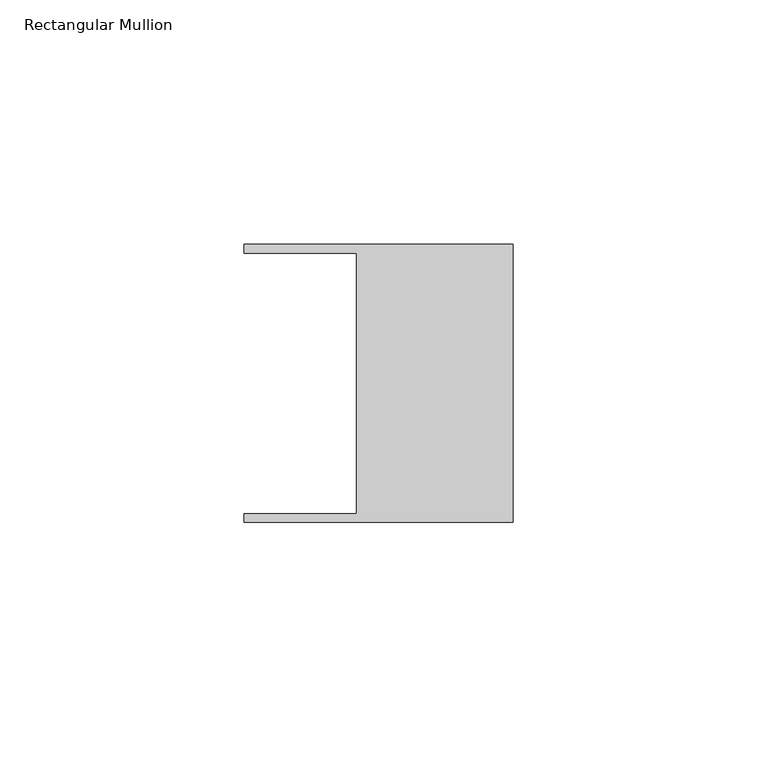
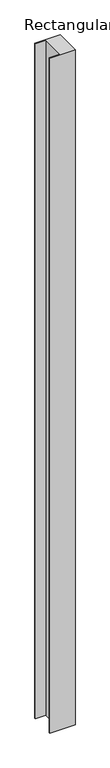
"""IFC4 building model written with IfcOpenShell, lengths in millimetres: member geometry, Rectangular Mullion."""

import ifcopenshell
import ifcopenshell.guid

model = None  # the IFC model being written
_history = None  # IfcOwnerHistory: only IFC2X3 demands one
_inside = {}  # id of a spatial element -> (the spatial element, [elements in it])
_under = {}  # id of a project, library or spatial element -> (it, [spatial elements below it])
_declared = {}  # id of a project -> (the project, [libraries it declares])
_typed = {}  # id of a type object -> (the type object, [elements of that type])
_made_of = {}  # id of a material, layer set ... -> (it, [elements and type objects made of it])


def new_model(schema):
    """Start an empty IFC model of exactly this schema.

    Asked for "IFC4X3", IfcOpenShell would pick the latest addendum, in which some entities
    have other attributes; the version numbers below select the first issue.
    IFC2X3 requires an IfcOwnerHistory on every rooted entity: one is made here for all.
    """
    global model, _history
    if schema == "IFC4X3":
        model = ifcopenshell.file(schema_version=(4, 3, 0, 0))
    else:
        model = ifcopenshell.file(schema=schema)
    _inside.clear()
    _under.clear()
    _declared.clear()
    _typed.clear()
    _made_of.clear()
    _history = None
    if model.schema == "IFC2X3":
        org = make("IfcOrganization", Name="unknown")
        user = make(
            "IfcPersonAndOrganization",
            ThePerson=make("IfcPerson", FamilyName="unknown"),
            TheOrganization=org,
        )
        app = make(
            "IfcApplication",
            ApplicationDeveloper=org,
            Version="unknown",
            ApplicationFullName="unknown",
            ApplicationIdentifier="unknown",
        )
        _history = make(
            "IfcOwnerHistory",
            OwningUser=user,
            OwningApplication=app,
            ChangeAction="ADDED",
            CreationDate=0,
        )
    return model


def make(cls, **values):
    """One entity of the class cls with the attributes given. An attribute that is None is left unset."""
    return model.create_entity(
        cls, **{name: value for name, value in values.items() if value is not None}
    )


def rooted(cls, **values):
    """An entity with a GlobalId (a new one), such as an element, a storey or a relation."""
    return make(cls, GlobalId=ifcopenshell.guid.new(), OwnerHistory=_history, **values)


def si_unit(unit_type, name, prefix=None):
    """IfcSIUnit, for example si_unit("LENGTHUNIT", "METRE", prefix="MILLI")."""
    return make("IfcSIUnit", UnitType=unit_type, Prefix=prefix, Name=name)


def assignment(units):
    """IfcUnitAssignment: the units of a project."""
    return None if units is None else make("IfcUnitAssignment", Units=units)


def point(xyz):
    """IfcCartesianPoint."""
    return None if xyz is None else make("IfcCartesianPoint", Coordinates=xyz)


def direction(xyz):
    """IfcDirection."""
    return None if xyz is None else make("IfcDirection", DirectionRatios=xyz)


def frame(location, z_axis=None, x_axis=None):
    """IfcAxis2Placement3D, a coordinate frame: its origin and axes. An axis left out is left unset."""
    return make(
        "IfcAxis2Placement3D",
        Location=point(location),
        Axis=direction(z_axis),
        RefDirection=direction(x_axis),
    )


def origin():
    """The frame at (0, 0, 0) with its axes left unset."""
    return frame((0.0, 0.0, 0.0))


def place(relative_to, where):
    """IfcLocalPlacement: puts the frame where relative to a parent placement (None: the world)."""
    return make(
        "IfcLocalPlacement", PlacementRelTo=relative_to, RelativePlacement=where
    )


def context(
    kind, dimensions, precision=None, world=None, true_north=None, identifier=None
):
    """IfcGeometricRepresentationContext, for example the 3D "Model" context."""
    return make(
        "IfcGeometricRepresentationContext",
        ContextIdentifier=identifier,
        ContextType=kind,
        CoordinateSpaceDimension=dimensions,
        Precision=precision,
        WorldCoordinateSystem=world,
        TrueNorth=true_north,
    )


def project(units=None, contexts=None):
    """IfcProject with its units and contexts."""
    return rooted(
        "IfcProject",
        Name="project",
        RepresentationContexts=contexts,
        UnitsInContext=assignment(units),
    )


def spatial(cls, under=None, at=None, **own):
    """A site, building, storey or space (cls), placed at a placement, below another one or the project."""
    s = rooted(cls, ObjectPlacement=at, **own)
    if under is not None:
        _under.setdefault(under.id(), (under, []))[1].append(s)
    return s


def polyline(points):
    """IfcPolyline through the points."""
    return make("IfcPolyline", Points=[point(p) for p in points])


def outline(outer, holes=None, kind="AREA"):
    """IfcArbitraryClosedProfileDef: a profile drawn as a closed curve; with holes, ...WithVoids."""
    if holes is None:
        return make("IfcArbitraryClosedProfileDef", ProfileType=kind, OuterCurve=outer)
    return make(
        "IfcArbitraryProfileDefWithVoids",
        ProfileType=kind,
        OuterCurve=outer,
        InnerCurves=holes,
    )


def extrude(swept, where, along, depth):
    """IfcExtrudedAreaSolid: the profile swept, set in the frame where, extruded along a direction by depth."""
    return make(
        "IfcExtrudedAreaSolid",
        SweptArea=swept,
        Position=where,
        ExtrudedDirection=direction(along),
        Depth=depth,
    )


def shape(context_of_items, identifier, shape_type, items):
    """IfcShapeRepresentation: the items that make up one representation, for example the "Body"."""
    return make(
        "IfcShapeRepresentation",
        ContextOfItems=context_of_items,
        RepresentationIdentifier=identifier,
        RepresentationType=shape_type,
        Items=items,
    )


def source(mapping_origin, context_of_items, identifier, shape_type, items):
    """IfcRepresentationMap: a shape defined once, which mapped items show again and again."""
    return make(
        "IfcRepresentationMap",
        MappingOrigin=mapping_origin,
        MappedRepresentation=shape(context_of_items, identifier, shape_type, items),
    )


def transform(
    local_origin,
    x_axis=None,
    y_axis=None,
    z_axis=None,
    scale=None,
    scale2=None,
    scale3=None,
    uniform=True,
):
    """IfcCartesianTransformationOperator3D, or its non-uniform kind. x_axis, y_axis, z_axis: its Axis1, 2, 3."""
    if uniform:
        return make(
            "IfcCartesianTransformationOperator3D",
            Axis1=direction(x_axis),
            Axis2=direction(y_axis),
            LocalOrigin=point(local_origin),
            Scale=scale,
            Axis3=direction(z_axis),
        )
    return make(
        "IfcCartesianTransformationOperator3DnonUniform",
        Axis1=direction(x_axis),
        Axis2=direction(y_axis),
        LocalOrigin=point(local_origin),
        Scale=scale,
        Axis3=direction(z_axis),
        Scale2=scale2,
        Scale3=scale3,
    )


def mapped(mapping_source, mapping_target):
    """IfcMappedItem: shows the shape of a source again, moved by a transform."""
    return make(
        "IfcMappedItem", MappingSource=mapping_source, MappingTarget=mapping_target
    )


def made_of(thing, what):
    """Note that an element or type object is made of a material, layer set ...; save() writes the relation."""
    if what is not None:
        _made_of.setdefault(what.id(), (what, []))[1].append(thing)
    return thing


def element(
    cls,
    number,
    at=None,
    inside=None,
    cuts=None,
    type_object=None,
    material=None,
    context=None,
    identifier="Body",
    shape_type=None,
    held_by="IfcProductDefinitionShape",
    body=None,
    shapes=None,
    **own,
):
    """One element of the class cls, such as IfcWall. Its Tag is "e" and its number.

    at: its placement. inside: the storey or other place that contains it. cuts: it is an
    opening in that element (IfcRelVoidsElement). A single representation is given by context,
    identifier, shape_type and body (its items); several are given by shapes. held_by: the class
    of the entity that holds the representations. save() writes the other relations.
    """
    e = rooted(cls, Tag="e%d" % number, ObjectPlacement=at, **own)
    if body is not None:
        shapes = [shape(context, identifier, shape_type, body)]
    if shapes is not None:
        e.Representation = make(held_by, Representations=shapes)
    if inside is not None:
        _inside.setdefault(inside.id(), (inside, []))[1].append(e)
    if cuts is not None:
        rooted(
            "IfcRelVoidsElement", RelatingBuildingElement=cuts, RelatedOpeningElement=e
        )
    if type_object is not None:
        _typed.setdefault(type_object.id(), (type_object, []))[1].append(e)
    return made_of(e, material)


def aggregate(whole, parts):
    """IfcRelAggregates: a whole, such as a stair, and the parts it consists of."""
    return rooted("IfcRelAggregates", RelatingObject=whole, RelatedObjects=parts)


def save(model, path):
    """Write the relations noted so far, then the file.

    IfcRelAggregates (storeys below a building ...), IfcRelContainedInSpatialStructure (elements
    in a storey), IfcRelDefinesByType, IfcRelAssociatesMaterial and IfcRelDeclares: one each for
    every whole, place, type object, material and project.
    """
    for whole, parts in _under.values():
        aggregate(whole, parts)
    for where, things in _inside.values():
        rooted(
            "IfcRelContainedInSpatialStructure",
            RelatedElements=things,
            RelatingStructure=where,
        )
    for kind, things in _typed.values():
        rooted("IfcRelDefinesByType", RelatedObjects=things, RelatingType=kind)
    for what, things in _made_of.values():
        rooted("IfcRelAssociatesMaterial", RelatedObjects=things, RelatingMaterial=what)
    for by, libraries in _declared.values():
        rooted("IfcRelDeclares", RelatingContext=by, RelatedDefinitions=libraries)
    model.write(path)


def rectangular_mullion_2662e106(model_context):
    return source(origin(), model_context, "Body", "SweptSolid", [
        extrude(outline(polyline([(-32.004, -26.67), (-32.004, 26.67), (-54.991, 26.67), (-54.991, 28.448), (0.0, 28.448), (0.0, -28.448), (-54.991, -28.448), (-54.991, -26.67), (-32.004, -26.67)])), frame((0.0, 0.0, -1562.1), z_axis=(0.0, 0.0, 1.0), x_axis=(1.0, 0.0, 0.0)), (0.0, 0.0, 1.0), 1562.1),
    ])


if __name__ == "__main__":
    model = new_model("IFC4")
    model_context = context("Model", 3, world=origin())
    ifc_project = project(units=[si_unit("LENGTHUNIT", "METRE", prefix="MILLI")], contexts=[model_context])
    site = spatial("IfcSite", under=ifc_project)
    building = spatial("IfcBuilding", under=site)
    placement = place(None, origin())
    rectangular_mullion_shape = rectangular_mullion_2662e106(model_context)
    element("IfcMember", 1, ObjectType="Rectangular Mullion", at=placement, inside=building, context=model_context, shape_type="MappedRepresentation", body=[
        mapped(rectangular_mullion_shape, transform((0.0, 0.0, 0.0), x_axis=(1.0, 0.0, 0.0), y_axis=(0.0, 1.0, 0.0), z_axis=(0.0, 0.0, 1.0))),
    ])
    save(model, "model.ifc")
